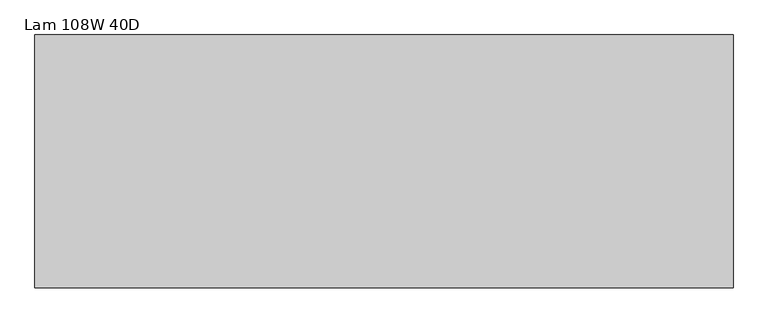
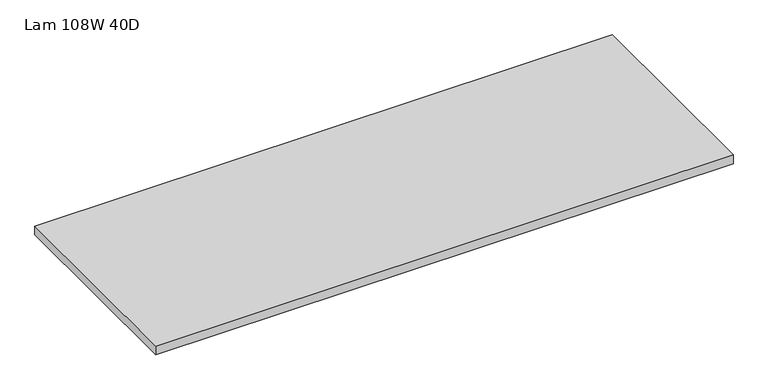
"""IFC4 building model written with IfcOpenShell, lengths in millimetres: furniture geometry, Lam 108W 40D."""

from ifc_helpers import new_model, si_unit, frame, origin, place, context, project, spatial, polyline, outline, extrude, source, transform, mapped, element, save


def lam_108w_40d_cd516fd9(model_context):
    return source(origin(), model_context, "Body", "SweptSolid", [
        extrude(outline(polyline([(2833.37, 508.0), (2833.37, -508.0), (26.67, -508.0), (26.67, 508.0), (2833.37, 508.0)])), frame((0.0, 0.0, 1057.275), z_axis=(0.0, 0.0, 1.0), x_axis=(1.0, 0.0, 0.0)), (0.0, 0.0, 1.0), 44.704),
    ])


if __name__ == "__main__":
    model = new_model("IFC4")
    model_context = context("Model", 3, world=origin())
    ifc_project = project(units=[si_unit("LENGTHUNIT", "METRE", prefix="MILLI")], contexts=[model_context])
    site = spatial("IfcSite", under=ifc_project)
    building = spatial("IfcBuilding", under=site)
    placement = place(None, origin())
    lam_108w_40d_shape = lam_108w_40d_cd516fd9(model_context)
    element("IfcFurniture", 1, ObjectType="Lam 108W 40D", at=placement, inside=building, context=model_context, shape_type="MappedRepresentation", body=[
        mapped(lam_108w_40d_shape, transform((0.0, 0.0, 0.0), x_axis=(1.0, 0.0, 0.0), y_axis=(0.0, 1.0, 0.0), z_axis=(0.0, 0.0, 1.0))),
    ])
    save(model, "model.ifc")
